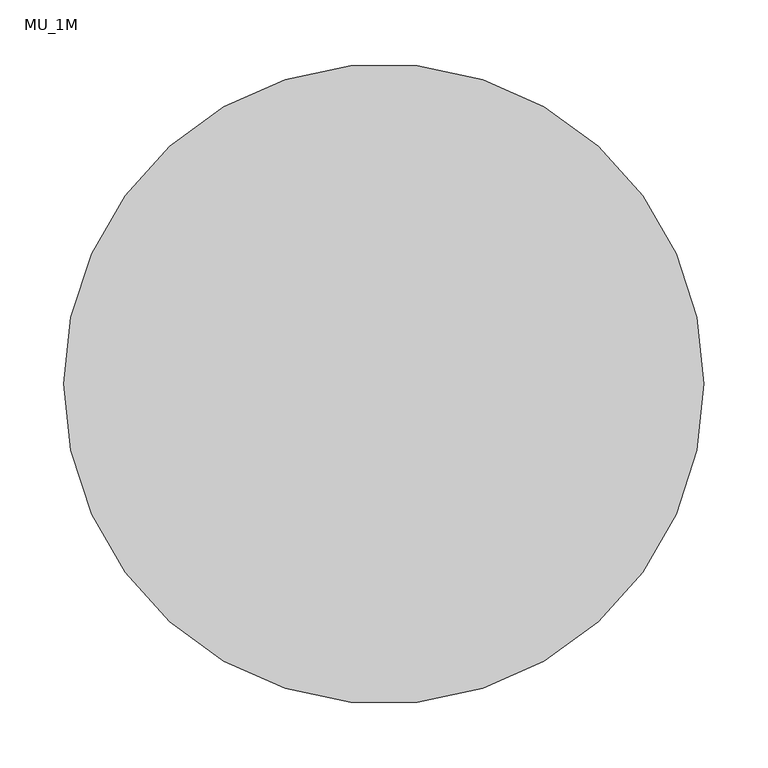
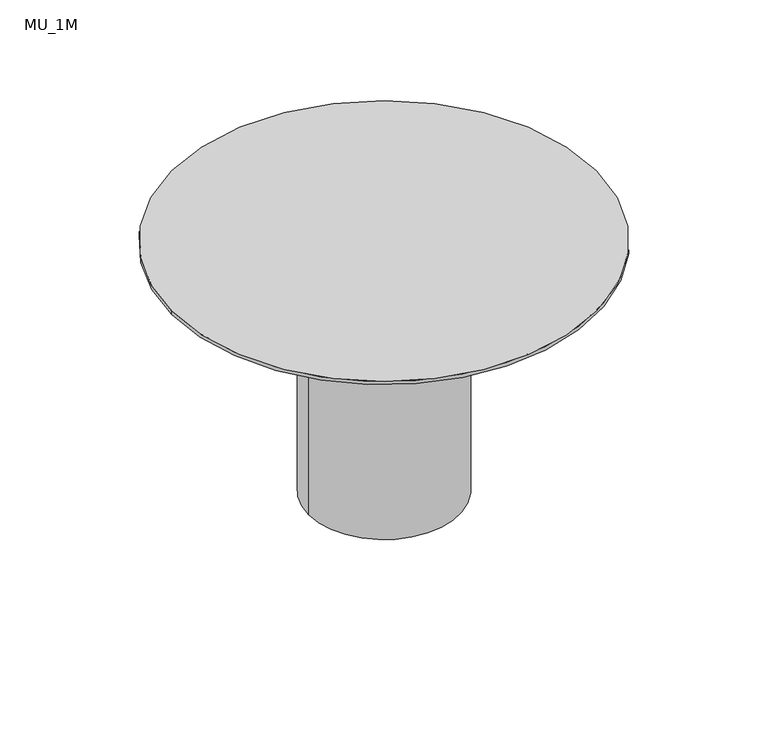
"""IFC4 building model written with IfcOpenShell, lengths in millimetres: furniture geometry, MU_1M."""

from ifc_helpers import new_model, si_unit, point, frame, frame_2d, origin, origin_with_axes, place, context, project, spatial, circle_curve, trimmed, segment, composite_curve, outline, extrude, source, transform, mapped, element, save


def mu_1m_0db4541e(model_context):
    return source(origin(), model_context, "Body", "SweptSolid", [
        extrude(outline(composite_curve([segment(trimmed(circle_curve(frame_2d((-5.9771858, 31.75)), 88.5), [point((-94.4771858, 31.75))], [point((82.5228142, 31.75))], False, "CARTESIAN"), True, "CONTINUOUS"), segment(trimmed(circle_curve(frame_2d((-5.9771858, 31.75)), 88.5), [point((82.5228142, 31.75))], [point((-94.4771858, 31.75))], False, "CARTESIAN"), True, "CONTINUOUS")], self_intersect=False)), origin_with_axes(), (0.0, 0.0, 1.0), 306.0),
        extrude(outline(composite_curve([segment(trimmed(circle_curve(frame_2d((-5.9771858, 31.75)), 250.0), [point((-255.9771858, 31.75))], [point((244.0228142, 31.75))], False, "CARTESIAN"), True, "CONTINUOUS"), segment(trimmed(circle_curve(frame_2d((-5.9771858, 31.75)), 250.0), [point((244.0228142, 31.75))], [point((-255.9771858, 31.75))], False, "CARTESIAN"), True, "CONTINUOUS")], self_intersect=False)), frame((0.0, 0.0, 306.0), z_axis=(0.0, 0.0, 1.0), x_axis=(1.0, 0.0, 0.0)), (0.0, 0.0, 1.0), 4.0),
    ])


if __name__ == "__main__":
    model = new_model("IFC4")
    model_context = context("Model", 3, world=origin())
    ifc_project = project(units=[si_unit("LENGTHUNIT", "METRE", prefix="MILLI")], contexts=[model_context])
    site = spatial("IfcSite", under=ifc_project)
    building = spatial("IfcBuilding", under=site)
    placement = place(None, origin())
    mu_1m_shape = mu_1m_0db4541e(model_context)
    element("IfcFurniture", 1, ObjectType="MU_1M", at=placement, inside=building, context=model_context, shape_type="MappedRepresentation", body=[
        mapped(mu_1m_shape, transform((0.0, 0.0, 0.0), x_axis=(1.0, 0.0, 0.0), y_axis=(0.0, 1.0, 0.0), z_axis=(0.0, 0.0, 1.0))),
    ])
    save(model, "model.ifc")
